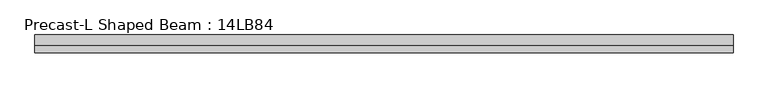
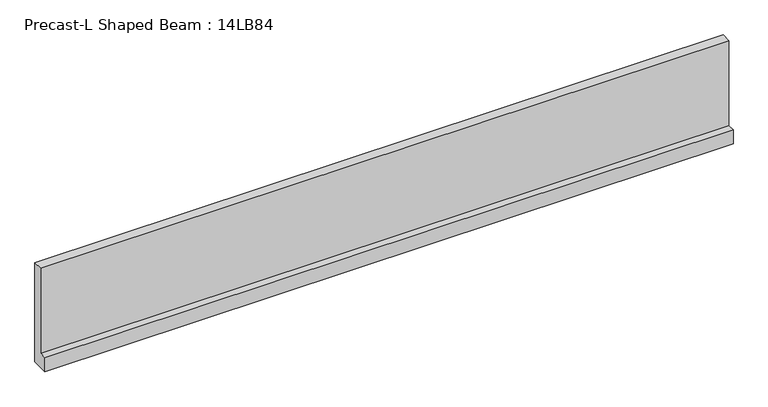
"""IFC4 building model written with IfcOpenShell, lengths in millimetres: beam geometry, Precast-L Shaped Beam : 14LB84."""

import ifcopenshell
import ifcopenshell.guid

model = None  # the IFC model being written
_history = None  # IfcOwnerHistory: only IFC2X3 demands one
_inside = {}  # id of a spatial element -> (the spatial element, [elements in it])
_under = {}  # id of a project, library or spatial element -> (it, [spatial elements below it])
_declared = {}  # id of a project -> (the project, [libraries it declares])
_typed = {}  # id of a type object -> (the type object, [elements of that type])
_made_of = {}  # id of a material, layer set ... -> (it, [elements and type objects made of it])


def new_model(schema):
    """Start an empty IFC model of exactly this schema.

    Asked for "IFC4X3", IfcOpenShell would pick the latest addendum, in which some entities
    have other attributes; the version numbers below select the first issue.
    IFC2X3 requires an IfcOwnerHistory on every rooted entity: one is made here for all.
    """
    global model, _history
    if schema == "IFC4X3":
        model = ifcopenshell.file(schema_version=(4, 3, 0, 0))
    else:
        model = ifcopenshell.file(schema=schema)
    _inside.clear()
    _under.clear()
    _declared.clear()
    _typed.clear()
    _made_of.clear()
    _history = None
    if model.schema == "IFC2X3":
        org = make("IfcOrganization", Name="unknown")
        user = make(
            "IfcPersonAndOrganization",
            ThePerson=make("IfcPerson", FamilyName="unknown"),
            TheOrganization=org,
        )
        app = make(
            "IfcApplication",
            ApplicationDeveloper=org,
            Version="unknown",
            ApplicationFullName="unknown",
            ApplicationIdentifier="unknown",
        )
        _history = make(
            "IfcOwnerHistory",
            OwningUser=user,
            OwningApplication=app,
            ChangeAction="ADDED",
            CreationDate=0,
        )
    return model


def make(cls, **values):
    """One entity of the class cls with the attributes given. An attribute that is None is left unset."""
    return model.create_entity(
        cls, **{name: value for name, value in values.items() if value is not None}
    )


def rooted(cls, **values):
    """An entity with a GlobalId (a new one), such as an element, a storey or a relation."""
    return make(cls, GlobalId=ifcopenshell.guid.new(), OwnerHistory=_history, **values)


def si_unit(unit_type, name, prefix=None):
    """IfcSIUnit, for example si_unit("LENGTHUNIT", "METRE", prefix="MILLI")."""
    return make("IfcSIUnit", UnitType=unit_type, Prefix=prefix, Name=name)


def assignment(units):
    """IfcUnitAssignment: the units of a project."""
    return None if units is None else make("IfcUnitAssignment", Units=units)


def point(xyz):
    """IfcCartesianPoint."""
    return None if xyz is None else make("IfcCartesianPoint", Coordinates=xyz)


def direction(xyz):
    """IfcDirection."""
    return None if xyz is None else make("IfcDirection", DirectionRatios=xyz)


def frame(location, z_axis=None, x_axis=None):
    """IfcAxis2Placement3D, a coordinate frame: its origin and axes. An axis left out is left unset."""
    return make(
        "IfcAxis2Placement3D",
        Location=point(location),
        Axis=direction(z_axis),
        RefDirection=direction(x_axis),
    )


def origin():
    """The frame at (0, 0, 0) with its axes left unset."""
    return frame((0.0, 0.0, 0.0))


def place(relative_to, where):
    """IfcLocalPlacement: puts the frame where relative to a parent placement (None: the world)."""
    return make(
        "IfcLocalPlacement", PlacementRelTo=relative_to, RelativePlacement=where
    )


def context(
    kind, dimensions, precision=None, world=None, true_north=None, identifier=None
):
    """IfcGeometricRepresentationContext, for example the 3D "Model" context."""
    return make(
        "IfcGeometricRepresentationContext",
        ContextIdentifier=identifier,
        ContextType=kind,
        CoordinateSpaceDimension=dimensions,
        Precision=precision,
        WorldCoordinateSystem=world,
        TrueNorth=true_north,
    )


def project(units=None, contexts=None):
    """IfcProject with its units and contexts."""
    return rooted(
        "IfcProject",
        Name="project",
        RepresentationContexts=contexts,
        UnitsInContext=assignment(units),
    )


def spatial(cls, under=None, at=None, **own):
    """A site, building, storey or space (cls), placed at a placement, below another one or the project."""
    s = rooted(cls, ObjectPlacement=at, **own)
    if under is not None:
        _under.setdefault(under.id(), (under, []))[1].append(s)
    return s


def polyline(points):
    """IfcPolyline through the points."""
    return make("IfcPolyline", Points=[point(p) for p in points])


def outline(outer, holes=None, kind="AREA"):
    """IfcArbitraryClosedProfileDef: a profile drawn as a closed curve; with holes, ...WithVoids."""
    if holes is None:
        return make("IfcArbitraryClosedProfileDef", ProfileType=kind, OuterCurve=outer)
    return make(
        "IfcArbitraryProfileDefWithVoids",
        ProfileType=kind,
        OuterCurve=outer,
        InnerCurves=holes,
    )


def extrude(swept, where, along, depth):
    """IfcExtrudedAreaSolid: the profile swept, set in the frame where, extruded along a direction by depth."""
    return make(
        "IfcExtrudedAreaSolid",
        SweptArea=swept,
        Position=where,
        ExtrudedDirection=direction(along),
        Depth=depth,
    )


def shape(context_of_items, identifier, shape_type, items):
    """IfcShapeRepresentation: the items that make up one representation, for example the "Body"."""
    return make(
        "IfcShapeRepresentation",
        ContextOfItems=context_of_items,
        RepresentationIdentifier=identifier,
        RepresentationType=shape_type,
        Items=items,
    )


def source(mapping_origin, context_of_items, identifier, shape_type, items):
    """IfcRepresentationMap: a shape defined once, which mapped items show again and again."""
    return make(
        "IfcRepresentationMap",
        MappingOrigin=mapping_origin,
        MappedRepresentation=shape(context_of_items, identifier, shape_type, items),
    )


def transform(
    local_origin,
    x_axis=None,
    y_axis=None,
    z_axis=None,
    scale=None,
    scale2=None,
    scale3=None,
    uniform=True,
):
    """IfcCartesianTransformationOperator3D, or its non-uniform kind. x_axis, y_axis, z_axis: its Axis1, 2, 3."""
    if uniform:
        return make(
            "IfcCartesianTransformationOperator3D",
            Axis1=direction(x_axis),
            Axis2=direction(y_axis),
            LocalOrigin=point(local_origin),
            Scale=scale,
            Axis3=direction(z_axis),
        )
    return make(
        "IfcCartesianTransformationOperator3DnonUniform",
        Axis1=direction(x_axis),
        Axis2=direction(y_axis),
        LocalOrigin=point(local_origin),
        Scale=scale,
        Axis3=direction(z_axis),
        Scale2=scale2,
        Scale3=scale3,
    )


def mapped(mapping_source, mapping_target):
    """IfcMappedItem: shows the shape of a source again, moved by a transform."""
    return make(
        "IfcMappedItem", MappingSource=mapping_source, MappingTarget=mapping_target
    )


def made_of(thing, what):
    """Note that an element or type object is made of a material, layer set ...; save() writes the relation."""
    if what is not None:
        _made_of.setdefault(what.id(), (what, []))[1].append(thing)
    return thing


def element(
    cls,
    number,
    at=None,
    inside=None,
    cuts=None,
    type_object=None,
    material=None,
    context=None,
    identifier="Body",
    shape_type=None,
    held_by="IfcProductDefinitionShape",
    body=None,
    shapes=None,
    **own,
):
    """One element of the class cls, such as IfcWall. Its Tag is "e" and its number.

    at: its placement. inside: the storey or other place that contains it. cuts: it is an
    opening in that element (IfcRelVoidsElement). A single representation is given by context,
    identifier, shape_type and body (its items); several are given by shapes. held_by: the class
    of the entity that holds the representations. save() writes the other relations.
    """
    e = rooted(cls, Tag="e%d" % number, ObjectPlacement=at, **own)
    if body is not None:
        shapes = [shape(context, identifier, shape_type, body)]
    if shapes is not None:
        e.Representation = make(held_by, Representations=shapes)
    if inside is not None:
        _inside.setdefault(inside.id(), (inside, []))[1].append(e)
    if cuts is not None:
        rooted(
            "IfcRelVoidsElement", RelatingBuildingElement=cuts, RelatedOpeningElement=e
        )
    if type_object is not None:
        _typed.setdefault(type_object.id(), (type_object, []))[1].append(e)
    return made_of(e, material)


def aggregate(whole, parts):
    """IfcRelAggregates: a whole, such as a stair, and the parts it consists of."""
    return rooted("IfcRelAggregates", RelatingObject=whole, RelatedObjects=parts)


def save(model, path):
    """Write the relations noted so far, then the file.

    IfcRelAggregates (storeys below a building ...), IfcRelContainedInSpatialStructure (elements
    in a storey), IfcRelDefinesByType, IfcRelAssociatesMaterial and IfcRelDeclares: one each for
    every whole, place, type object, material and project.
    """
    for whole, parts in _under.values():
        aggregate(whole, parts)
    for where, things in _inside.values():
        rooted(
            "IfcRelContainedInSpatialStructure",
            RelatedElements=things,
            RelatingStructure=where,
        )
    for kind, things in _typed.values():
        rooted("IfcRelDefinesByType", RelatedObjects=things, RelatingType=kind)
    for what, things in _made_of.values():
        rooted("IfcRelAssociatesMaterial", RelatedObjects=things, RelatingMaterial=what)
    for by, libraries in _declared.values():
        rooted("IfcRelDeclares", RelatingContext=by, RelatedDefinitions=libraries)
    model.write(path)


def precast_l_shaped_beam_14lb84_09bb892f(model_context):
    return source(origin(), model_context, "Body", "SweptSolid", [
        extrude(outline(polyline([(177.8, -1066.8), (-177.8, -1066.8), (-177.8, -762.0), (-25.4, -762.0), (-25.4, 1066.8), (177.8, 1066.8), (177.8, -1066.8)])), frame((-7162.8, 0.0, 0.0), z_axis=(1.0, 0.0, 0.0), x_axis=(0.0, 1.0, 0.0)), (0.0, 0.0, 1.0), 14020.8),
    ])


if __name__ == "__main__":
    model = new_model("IFC4")
    model_context = context("Model", 3, world=origin())
    ifc_project = project(units=[si_unit("LENGTHUNIT", "METRE", prefix="MILLI")], contexts=[model_context])
    site = spatial("IfcSite", under=ifc_project)
    building = spatial("IfcBuilding", under=site)
    placement = place(None, origin())
    precast_l_shaped_beam_14lb84_shape = precast_l_shaped_beam_14lb84_09bb892f(model_context)
    element("IfcBeam", 1, ObjectType="Precast-L Shaped Beam : 14LB84", at=placement, inside=building, context=model_context, shape_type="MappedRepresentation", body=[
        mapped(precast_l_shaped_beam_14lb84_shape, transform((0.0, 0.0, 0.0), x_axis=(1.0, 0.0, 0.0), y_axis=(0.0, 1.0, 0.0), z_axis=(0.0, 0.0, 1.0))),
    ])
    save(model, "model.ifc")
